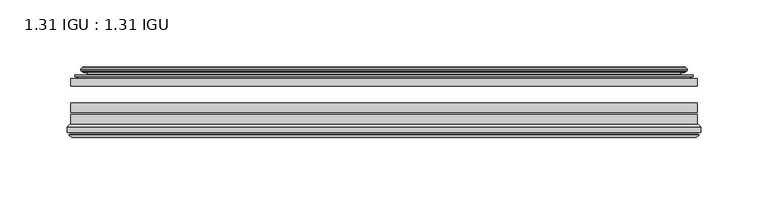
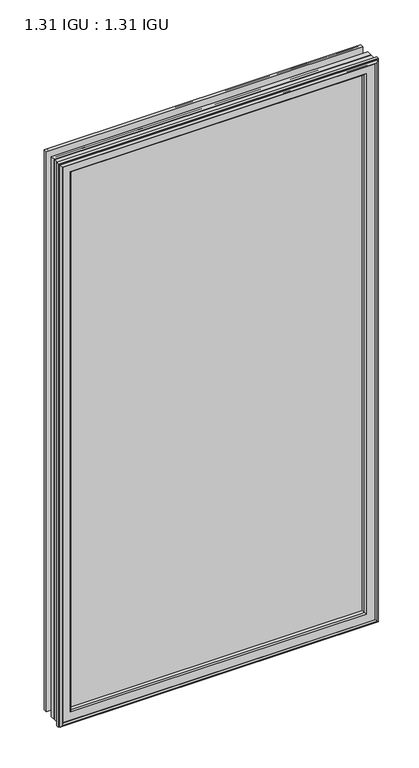
"""IFC4 building model written with IfcOpenShell, lengths in millimetres: plate geometry, 1.31 IGU : 1.31 IGU."""

from ifc_helpers import new_model, si_unit, frame, origin, place, context, project, spatial, polyline, ellipse_curve, outline, extrude, source, transform, mapped, element, save
from ifc_brep_helpers import plane_surface, cylinder_surface, revolved_surface, advanced_brep


def plate_1_31_igu_1_31_igu_b2ea82c1(model_context):
    return source(origin(), model_context, "Body", "SolidModel", [
        extrude(outline(polyline([(233.3578362, -44.8960875), (233.3578362, -50.4332875), (-233.3627713, -50.4332875), (-233.3627713, -44.8960875), (233.3578362, -44.8960875)])), frame((0.0, 0.0, -14.2875), z_axis=(0.0, 0.0, 1.0), x_axis=(1.0, 0.0, 0.0)), (0.0, 0.0, 1.0), 873.1260851),
        extrude(outline(polyline([(-233.3627713, -78.7796875), (-233.3627713, -71.7692875), (233.3578362, -71.7692875), (233.3578362, -78.7796875), (-233.3627713, -78.7796875)])), frame((0.0, 0.0, -14.2875), z_axis=(0.0, 0.0, 1.0), x_axis=(1.0, 0.0, 0.0)), (0.0, 0.0, 1.0), 873.1260851),
        extrude(outline(polyline([(-233.3627713, -70.2452875), (-233.3627713, -63.1332875), (233.3578362, -63.1332875), (233.3578362, -70.2452875), (-233.3627713, -70.2452875)])), frame((0.0, 0.0, -14.2875), z_axis=(0.0, 0.0, 1.0), x_axis=(1.0, 0.0, 0.0)), (0.0, 0.0, 1.0), 873.1260851),
        advanced_brep(
        [(-224.0174468, -37.7373382, 849.4932606), (-219.0758138, -36.3108875, 844.5516277), (-219.0758138, -36.3108875, -0.0005426), (-224.0174468, -37.7373382, -4.9421755), (-223.8523415, -36.9605789, 849.3281553), (-223.8523415, -36.9605789, -4.7770702), (-224.4478272, -36.4771203, 849.923641), (-224.4478272, -36.4771203, -5.3725559), (-225.712463, -37.766076, 851.1882768), (-225.712463, -37.766076, -6.6371917), (-225.7016462, -38.8797852, 851.17746), (-225.7016462, -38.8797852, -6.6263749), (-224.420161, -40.1361433, 849.8959748), (-224.420161, -40.1361433, -5.3448897), (-223.8151542, -39.649943, 849.290968), (-223.8151542, -39.649943, -4.7398829), (-224.3691684, -39.0959287, 849.8449823), (-224.3691684, -39.0959287, -5.2938972), (-222.08336, -38.7029881, 847.5591739), (-222.08336, -38.7029881, -3.0080887), (-220.6242869, -40.2107282, 846.1001008), (-220.6242869, -40.2107282, -1.5490157), (-220.9208689, -41.651269, 846.3966827), (-220.9208689, -41.651269, -1.8455976), (-221.6920933, -42.2798875, 847.1679072), (-221.6920933, -42.2798875, -2.6168221), (-229.9960697, -43.4871542, 855.4718835), (-229.7208682, -42.2798875, 855.1966821), (-229.7208682, -42.2798875, -10.6455969), (-229.9960697, -43.4871542, -10.9207984), (-226.538501, -44.8960875, 852.0143149), (-226.538501, -44.8960875, -7.4632297), (-215.4408772, -44.023302, 840.9166911), (-215.7962152, -44.8960875, 841.272029), (-215.7962152, -44.8960875, 3.2790561), (-215.4408772, -44.023302, 3.6343941), (-216.1120752, -43.3681812, 841.5878891), (-216.1120752, -43.3681812, 2.963196), (-217.7528658, -40.6686056, 843.2286797), (-217.7528658, -40.6686056, 1.3224054), (219.0758138, -36.3108875, -0.0005426), (224.0174468, -37.7373382, -4.9421755), (223.8523415, -36.9605789, -4.7770702), (224.4478272, -36.4771203, -5.3725559), (225.712463, -37.766076, -6.6371917), (225.7016462, -38.8797852, -6.6263749), (224.420161, -40.1361433, -5.3448897), (223.8151542, -39.649943, -4.7398829), (224.3691684, -39.0959287, -5.2938972), (222.08336, -38.7029881, -3.0080887), (220.6242869, -40.2107282, -1.5490157), (220.9208689, -41.651269, -1.8455976), (221.6920933, -42.2798875, -2.6168221), (229.7208682, -42.2798875, -10.6455969), (229.9960697, -43.4871542, -10.9207984), (226.538501, -44.8960875, -7.4632297), (215.7962152, -44.8960875, 3.2790561), (215.4408772, -44.023302, 3.6343941), (216.1120752, -43.3681812, 2.963196), (217.7528658, -40.6686056, 1.3224054), (219.0758138, -36.3108875, 844.5516277), (224.0174468, -37.7373382, 849.4932606), (223.8523415, -36.9605789, 849.3281553), (224.4478272, -36.4771203, 849.923641), (225.712463, -37.766076, 851.1882768), (225.7016462, -38.8797852, 851.17746), (224.420161, -40.1361433, 849.8959748), (223.8151542, -39.649943, 849.290968), (224.3691684, -39.0959287, 849.8449823), (222.08336, -38.7029881, 847.5591739), (220.6242869, -40.2107282, 846.1001008), (220.9208689, -41.651269, 846.3966827), (221.6920933, -42.2798875, 847.1679072), (229.7208682, -42.2798875, 855.1966821), (229.9960697, -43.4871542, 855.4718835), (226.538501, -44.8960875, 852.0143149), (215.7962152, -44.8960875, 841.272029), (215.4408772, -44.023302, 840.9166911), (216.1120752, -43.3681812, 841.5878891), (217.7528658, -40.6686056, 843.2286797)],
        [
            (0, 1),
            (1, 2),
            (2, 3),
            (3, 0),
            (4, 0),
            (3, 5),
            (5, 4),
            (6, 4, ellipse_curve(frame((-224.1728584, -36.746901, 849.6486723), z_axis=(-0.7071067811865475, 0.0, -0.7071067811865475), x_axis=(-0.7071067811865474, 0.0, 0.7071067811865476)), 0.5447741, 0.3852135)),
            (5, 7, ellipse_curve(frame((-224.1728584, -36.746901, -5.0975871), z_axis=(-0.7071067811865475, 0.0, 0.7071067811865475), x_axis=(0.7071067811865474, 0.0, 0.7071067811865476)), 0.5447741, 0.3852135)),
            (7, 6),
            (8, 6),
            (7, 9),
            (9, 8),
            (10, 8, ellipse_curve(frame((-225.1504099, -38.3175243, 850.6262238), z_axis=(-0.7071067811865475, 0.0, -0.7071067811865475), x_axis=(-0.7071067811865474, 0.0, 0.7071067811865476)), 1.1135518, 0.7874)),
            (9, 11, ellipse_curve(frame((-225.1504099, -38.3175243, -6.0751387), z_axis=(-0.7071067811865475, 0.0, 0.7071067811865475), x_axis=(0.7071067811865474, 0.0, 0.7071067811865476)), 1.1135518, 0.7874)),
            (11, 10),
            (12, 10),
            (11, 13),
            (13, 12),
            (14, 12, ellipse_curve(frame((-224.1465635, -39.8570738, 849.6223773), z_axis=(-0.7071067811865475, 0.0, -0.7071067811865475), x_axis=(-0.7071067811865474, 0.0, 0.7071067811865476)), 0.552694, 0.3908137)),
            (13, 15, ellipse_curve(frame((-224.1465635, -39.8570738, -5.0712922), z_axis=(-0.7071067811865475, 0.0, 0.7071067811865475), x_axis=(0.7071067811865474, 0.0, 0.7071067811865476)), 0.552694, 0.3908137)),
            (15, 14),
            (16, 14),
            (15, 17),
            (17, 16),
            (18, 16),
            (17, 19),
            (19, 18),
            (20, 18, ellipse_curve(frame((-221.8681974, -39.954629, 847.3440112), z_axis=(0.7071067811865475, 0.0, 0.7071067811865475), x_axis=(0.7071067811865474, 0.0, -0.7071067811865476)), 1.7960512, 1.27)),
            (19, 21, ellipse_curve(frame((-221.8681974, -39.954629, -2.7929261), z_axis=(0.7071067811865475, 0.0, -0.7071067811865475), x_axis=(-0.7071067811865474, 0.0, -0.7071067811865476)), 1.7960512, 1.27)),
            (21, 20),
            (22, 20),
            (21, 23),
            (23, 22),
            (24, 22, ellipse_curve(frame((-221.6920933, -41.4924875, 847.1679072), z_axis=(0.7071067811865475, 0.0, 0.7071067811865475), x_axis=(0.7071067811865474, 0.0, -0.7071067811865476)), 1.1135518, 0.7874)),
            (23, 25, ellipse_curve(frame((-221.6920933, -41.4924875, -2.6168221), z_axis=(0.7071067811865475, 0.0, -0.7071067811865475), x_axis=(-0.7071067811865474, 0.0, -0.7071067811865476)), 1.1135518, 0.7874)),
            (25, 24),
            (26, 27, ellipse_curve(frame((-229.7208682, -42.9148875, 855.1966821), z_axis=(-0.7071067811865475, 0.0, -0.7071067811865475), x_axis=(-0.7071067811865474, 0.0, 0.7071067811865476)), 0.8980256, 0.635)),
            (27, 28),
            (28, 29, ellipse_curve(frame((-229.7208682, -42.9148875, -10.6455969), z_axis=(-0.7071067811865475, 0.0, 0.7071067811865475), x_axis=(0.7071067811865474, 0.0, 0.7071067811865476)), 0.8980256, 0.635)),
            (29, 26),
            (30, 26),
            (29, 31),
            (31, 30),
            (32, 33, ellipse_curve(frame((-215.7962152, -44.3873602, 841.272029), z_axis=(-0.7071067811865475, 0.0, -0.7071067811865475), x_axis=(-0.7071067811865474, 0.0, 0.7071067811865476)), 0.719449, 0.5087273)),
            (33, 34),
            (34, 35, ellipse_curve(frame((-215.7962152, -44.3873602, 3.2790561), z_axis=(-0.7071067811865475, 0.0, 0.7071067811865475), x_axis=(0.7071067811865474, 0.0, 0.7071067811865476)), 0.719449, 0.5087273)),
            (35, 32),
            (36, 32),
            (35, 37),
            (37, 36),
            (38, 36, ellipse_curve(frame((-211.676701, -38.823959, 837.1525149), z_axis=(0.7071067811865475, 0.0, 0.7071067811865475), x_axis=(0.7071067811865474, 0.0, -0.7071067811865476)), 8.9802561, 6.35)),
            (37, 39, ellipse_curve(frame((-211.676701, -38.823959, 7.3985702), z_axis=(0.7071067811865475, 0.0, -0.7071067811865475), x_axis=(-0.7071067811865474, 0.0, -0.7071067811865476)), 8.9802561, 6.35)),
            (39, 38),
            (1, 38),
            (39, 2),
            (2, 40),
            (40, 41),
            (41, 3),
            (41, 42),
            (42, 5),
            (42, 43, ellipse_curve(frame((224.1728584, -36.746901, -5.0975871), z_axis=(-0.7071067811865475, 0.0, -0.7071067811865475), x_axis=(-0.7071067811865476, 0.0, 0.7071067811865474)), 0.5447741, 0.3852135)),
            (43, 7),
            (43, 44),
            (44, 9),
            (44, 45, ellipse_curve(frame((225.1504099, -38.3175243, -6.0751387), z_axis=(-0.7071067811865475, 0.0, -0.7071067811865475), x_axis=(-0.7071067811865476, 0.0, 0.7071067811865474)), 1.1135518, 0.7874)),
            (45, 11),
            (45, 46),
            (46, 13),
            (46, 47, ellipse_curve(frame((224.1465635, -39.8570738, -5.0712922), z_axis=(-0.7071067811865475, 0.0, -0.7071067811865475), x_axis=(-0.7071067811865476, 0.0, 0.7071067811865474)), 0.552694, 0.3908137)),
            (47, 15),
            (47, 48),
            (48, 17),
            (48, 49),
            (49, 19),
            (49, 50, ellipse_curve(frame((221.8681974, -39.954629, -2.7929261), z_axis=(0.7071067811865475, 0.0, 0.7071067811865475), x_axis=(0.7071067811865476, 0.0, -0.7071067811865474)), 1.7960512, 1.27)),
            (50, 21),
            (50, 51),
            (51, 23),
            (51, 52, ellipse_curve(frame((221.6920933, -41.4924875, -2.6168221), z_axis=(0.7071067811865475, 0.0, 0.7071067811865475), x_axis=(0.7071067811865476, 0.0, -0.7071067811865474)), 1.1135518, 0.7874)),
            (52, 25),
            (28, 53),
            (53, 54, ellipse_curve(frame((229.7208682, -42.9148875, -10.6455969), z_axis=(-0.7071067811865475, 0.0, -0.7071067811865475), x_axis=(-0.7071067811865476, 0.0, 0.7071067811865474)), 0.8980256, 0.635)),
            (54, 29),
            (54, 55),
            (55, 31),
            (34, 56),
            (56, 57, ellipse_curve(frame((215.7962152, -44.3873602, 3.2790561), z_axis=(-0.7071067811865475, 0.0, -0.7071067811865475), x_axis=(-0.7071067811865476, 0.0, 0.7071067811865474)), 0.719449, 0.5087273)),
            (57, 35),
            (57, 58),
            (58, 37),
            (58, 59, ellipse_curve(frame((211.676701, -38.823959, 7.3985702), z_axis=(0.7071067811865475, 0.0, 0.7071067811865475), x_axis=(0.7071067811865476, 0.0, -0.7071067811865474)), 8.9802561, 6.35)),
            (59, 39),
            (59, 40),
            (40, 60),
            (60, 61),
            (61, 41),
            (61, 62),
            (62, 42),
            (62, 63, ellipse_curve(frame((224.1728584, -36.746901, 849.6486723), z_axis=(0.7071067811865475, 0.0, -0.7071067811865475), x_axis=(-0.7071067811865474, 0.0, -0.7071067811865476)), 0.5447741, 0.3852135)),
            (63, 43),
            (63, 64),
            (64, 44),
            (64, 65, ellipse_curve(frame((225.1504099, -38.3175243, 850.6262238), z_axis=(0.7071067811865475, 0.0, -0.7071067811865475), x_axis=(-0.7071067811865474, 0.0, -0.7071067811865476)), 1.1135518, 0.7874)),
            (65, 45),
            (65, 66),
            (66, 46),
            (66, 67, ellipse_curve(frame((224.1465635, -39.8570738, 849.6223773), z_axis=(0.7071067811865475, 0.0, -0.7071067811865475), x_axis=(-0.7071067811865474, 0.0, -0.7071067811865476)), 0.552694, 0.3908137)),
            (67, 47),
            (67, 68),
            (68, 48),
            (68, 69),
            (69, 49),
            (69, 70, ellipse_curve(frame((221.8681974, -39.954629, 847.3440112), z_axis=(-0.7071067811865475, 0.0, 0.7071067811865475), x_axis=(0.7071067811865474, 0.0, 0.7071067811865476)), 1.7960512, 1.27)),
            (70, 50),
            (70, 71),
            (71, 51),
            (71, 72, ellipse_curve(frame((221.6920933, -41.4924875, 847.1679072), z_axis=(-0.7071067811865475, 0.0, 0.7071067811865475), x_axis=(0.7071067811865474, 0.0, 0.7071067811865476)), 1.1135518, 0.7874)),
            (72, 52),
            (53, 73),
            (73, 74, ellipse_curve(frame((229.7208682, -42.9148875, 855.1966821), z_axis=(0.7071067811865475, 0.0, -0.7071067811865475), x_axis=(-0.7071067811865474, 0.0, -0.7071067811865476)), 0.8980256, 0.635)),
            (74, 54),
            (74, 75),
            (75, 55),
            (56, 76),
            (76, 77, ellipse_curve(frame((215.7962152, -44.3873602, 841.272029), z_axis=(0.7071067811865475, 0.0, -0.7071067811865475), x_axis=(-0.7071067811865474, 0.0, -0.7071067811865476)), 0.719449, 0.5087273)),
            (77, 57),
            (77, 78),
            (78, 58),
            (78, 79, ellipse_curve(frame((211.676701, -38.823959, 837.1525149), z_axis=(-0.7071067811865475, 0.0, 0.7071067811865475), x_axis=(0.7071067811865474, 0.0, 0.7071067811865476)), 8.9802561, 6.35)),
            (79, 59),
            (79, 60),
            (60, 1),
            (0, 61),
            (4, 62),
            (6, 63),
            (8, 64),
            (10, 65),
            (12, 66),
            (14, 67),
            (16, 68),
            (18, 69),
            (20, 70),
            (22, 71),
            (24, 72),
            (27, 73),
            (26, 74),
            (30, 75),
            (33, 76),
            (32, 77),
            (36, 78),
            (38, 79),
        ],
        [
            plane_surface(frame((-219.0758138, -36.3108875, 844.5516277), z_axis=(-0.2773364928492854, 0.9607728502273877, 0.0), x_axis=(0.0, 0.0, -1.0))),
            plane_surface(frame((-224.0174468, -37.7373382, 849.4932606), z_axis=(0.9781476007338358, -0.2079116908176177, 0.0), x_axis=(0.0, 0.0, -1.0))),
            cylinder_surface(frame((-224.1728584, -36.746901, 876.3010851), z_axis=(0.0, 0.0, 1.0), x_axis=(-1.0, 0.0, 0.0)), 0.3852135),
            plane_surface(frame((-224.4478272, -36.4771203, 849.923641), z_axis=(-0.7138087599382162, 0.7003406701280928, 0.0), x_axis=(0.0, 0.0, -1.0))),
            cylinder_surface(frame((-225.1504099, -38.3175243, 876.3010851), z_axis=(0.0, 0.0, 1.0), x_axis=(-1.0, 0.0, 0.0)), 0.7874),
            plane_surface(frame((-225.7016462, -38.8797852, 851.17746), z_axis=(-0.7000714109283732, -0.7140728391423082, 0.0), x_axis=(0.0, 0.0, -1.0))),
            cylinder_surface(frame((-224.1465635, -39.8570738, 876.3010851), z_axis=(0.0, 0.0, 1.0), x_axis=(-1.0, 0.0, 0.0)), 0.3908137),
            plane_surface(frame((-223.8151542, -39.649943, 849.290968), z_axis=(0.7071067811861126, 0.7071067811869826, 0.0), x_axis=(0.0, 0.0, -1.0))),
            plane_surface(frame((-224.3691684, -39.0959287, 849.8449823), z_axis=(0.16941940671011482, -0.9855440449974789, 0.0), x_axis=(0.0, 0.0, -1.0))),
            revolved_surface(polyline([(-223.13819740000002, -39.954629, -4.0629260828783345), (-223.13819740000002, -39.954629, 848.6140111828782)]), (-221.8681974, -39.954629, 876.3010851), (0.0, 0.0, -1.0)),
            plane_surface(frame((-220.6242869, -40.2107282, 846.1001008), z_axis=(-0.9794570432566897, 0.201652920670302, 0.0), x_axis=(0.0, 0.0, -1.0))),
            revolved_surface(polyline([(-222.4794933, -41.4924875, -3.4042221289824965), (-222.4794933, -41.4924875, 847.9553072289824)]), (-221.6920933, -41.4924875, 876.3010851), (0.0, 0.0, -1.0)),
            cylinder_surface(frame((-229.7208682, -42.9148875, 876.3010851), z_axis=(0.0, 0.0, 1.0), x_axis=(-1.0, 0.0, 0.0)), 0.635),
            plane_surface(frame((-229.9960697, -43.4871542, 855.4718835), z_axis=(-0.37736447542757934, -0.9260648209954139, 0.0), x_axis=(0.0, 0.0, -1.0))),
            cylinder_surface(frame((-215.7962152, -44.3873602, 876.3010851), z_axis=(0.0, 0.0, 1.0), x_axis=(-1.0, 0.0, 0.0)), 0.5087273),
            plane_surface(frame((-215.4408772, -44.023302, 840.9166911), z_axis=(0.698484125849927, 0.7156255486884628, 0.0), x_axis=(0.0, 0.0, -1.0))),
            revolved_surface(polyline([(-218.026701, -38.823959, 1.0485702148981773), (-218.026701, -38.823959, 843.5025148851018)]), (-211.676701, -38.823959, 876.3010851), (0.0, 0.0, -1.0)),
            plane_surface(frame((-217.7528658, -40.6686056, 843.2286797), z_axis=(0.9568763473517009, 0.2904955350411895, 0.0), x_axis=(0.0, 0.0, -1.0))),
            plane_surface(frame((-219.0758138, -36.3108875, -0.0005426), z_axis=(0.0, 0.9607728502273868, -0.2773364928492885), x_axis=(1.0, 0.0, 0.0))),
            plane_surface(frame((-224.0174468, -37.7373382, -4.9421755), z_axis=(0.0, -0.20791169081761454, 0.9781476007338364), x_axis=(1.0, 0.0, 0.0))),
            cylinder_surface(frame((-250.8252713, -36.746901, -5.0975871), z_axis=(-1.0, 0.0, 0.0), x_axis=(0.0, 0.0, -1.0)), 0.3852135),
            plane_surface(frame((-224.4478272, -36.4771203, -5.3725559), z_axis=(0.0, 0.7003406701280904, -0.7138087599382185), x_axis=(1.0, 0.0, 0.0))),
            cylinder_surface(frame((-250.8252713, -38.3175243, -6.0751387), z_axis=(-1.0, 0.0, 0.0), x_axis=(0.0, 0.0, -1.0)), 0.7874),
            plane_surface(frame((-225.7016462, -38.8797852, -6.6263749), z_axis=(0.0, -0.7140728391423105, -0.7000714109283709), x_axis=(1.0, 0.0, 0.0))),
            cylinder_surface(frame((-250.8252713, -39.8570738, -5.0712922), z_axis=(-1.0, 0.0, 0.0), x_axis=(0.0, 0.0, -1.0)), 0.3908137),
            plane_surface(frame((-223.8151542, -39.649943, -4.7398829), z_axis=(0.0, 0.7071067811869849, 0.7071067811861103), x_axis=(1.0, 0.0, 0.0))),
            plane_surface(frame((-224.3691684, -39.0959287, -5.2938972), z_axis=(0.0, -0.9855440449974784, 0.16941940671011801), x_axis=(1.0, 0.0, 0.0))),
            revolved_surface(polyline([(223.13819738287827, -39.954629, -4.0629261), (-223.13819738287825, -39.954629, -4.0629261)]), (-250.8252713, -39.954629, -2.7929261), (1.0, 0.0, 0.0)),
            plane_surface(frame((-220.6242869, -40.2107282, -1.5490157), z_axis=(0.0, 0.20165292067029883, -0.9794570432566904), x_axis=(1.0, 0.0, 0.0))),
            revolved_surface(polyline([(222.47949332898247, -41.4924875, -3.4042220999999997), (-222.4794933289825, -41.4924875, -3.4042220999999997)]), (-250.8252713, -41.4924875, -2.6168221), (1.0, 0.0, 0.0)),
            cylinder_surface(frame((-250.8252713, -42.9148875, -10.6455969), z_axis=(-1.0, 0.0, 0.0), x_axis=(0.0, 0.0, -1.0)), 0.635),
            plane_surface(frame((-229.9960697, -43.4871542, -10.9207984), z_axis=(0.0, -0.9260648209954151, -0.37736447542757634), x_axis=(1.0, 0.0, 0.0))),
            cylinder_surface(frame((-250.8252713, -44.3873602, 3.2790561), z_axis=(-1.0, 0.0, 0.0), x_axis=(0.0, 0.0, -1.0)), 0.5087273),
            plane_surface(frame((-215.4408772, -44.023302, 3.6343941), z_axis=(0.0, 0.7156255486884651, 0.6984841258499247), x_axis=(1.0, 0.0, 0.0))),
            revolved_surface(polyline([(218.0267009851019, -38.823959, 1.0485702000000003), (-218.02670098510185, -38.823959, 1.0485702000000003)]), (-250.8252713, -38.823959, 7.3985702), (1.0, 0.0, 0.0)),
            plane_surface(frame((-217.7528658, -40.6686056, 1.3224054), z_axis=(0.0, 0.29049553504119263, 0.9568763473517), x_axis=(1.0, 0.0, 0.0))),
            plane_surface(frame((219.0758138, -36.3108875, -0.0005426), z_axis=(0.2773364928492916, 0.9607728502273859, 0.0), x_axis=(0.0, 0.0, 1.0))),
            plane_surface(frame((224.0174468, -37.7373382, -4.9421755), z_axis=(-0.9781476007338371, -0.20791169081761138, 0.0), x_axis=(0.0, 0.0, 1.0))),
            cylinder_surface(frame((224.1728584, -36.746901, -31.75), z_axis=(0.0, 0.0, -1.0), x_axis=(1.0, 0.0, 0.0)), 0.3852135),
            plane_surface(frame((224.4478272, -36.4771203, -5.3725559), z_axis=(0.7138087599382208, 0.7003406701280882, 0.0), x_axis=(0.0, 0.0, 1.0))),
            cylinder_surface(frame((225.1504099, -38.3175243, -31.75), z_axis=(0.0, 0.0, -1.0), x_axis=(1.0, 0.0, 0.0)), 0.7874),
            plane_surface(frame((225.7016462, -38.8797852, -6.6263749), z_axis=(0.7000714109283687, -0.7140728391423128, 0.0), x_axis=(0.0, 0.0, 1.0))),
            cylinder_surface(frame((224.1465635, -39.8570738, -31.75), z_axis=(0.0, 0.0, -1.0), x_axis=(1.0, 0.0, 0.0)), 0.3908137),
            plane_surface(frame((223.8151542, -39.649943, -4.7398829), z_axis=(-0.7071067811861079, 0.7071067811869872, 0.0), x_axis=(0.0, 0.0, 1.0))),
            plane_surface(frame((224.3691684, -39.0959287, -5.2938972), z_axis=(-0.1694194067101212, -0.9855440449974778, 0.0), x_axis=(0.0, 0.0, 1.0))),
            revolved_surface(polyline([(223.13819740000002, -39.954629, 848.6140111828782), (223.13819740000002, -39.954629, -4.062926082878235)]), (221.8681974, -39.954629, -31.75), (0.0, 0.0, 1.0)),
            plane_surface(frame((220.6242869, -40.2107282, -1.5490157), z_axis=(0.979457043256691, 0.20165292067029567, 0.0), x_axis=(0.0, 0.0, 1.0))),
            revolved_surface(polyline([(222.4794933, -41.4924875, 847.9553072289824), (222.4794933, -41.4924875, -3.404222128982486)]), (221.6920933, -41.4924875, -31.75), (0.0, 0.0, 1.0)),
            cylinder_surface(frame((229.7208682, -42.9148875, -31.75), z_axis=(0.0, 0.0, -1.0), x_axis=(1.0, 0.0, 0.0)), 0.635),
            plane_surface(frame((229.9960697, -43.4871542, -10.9207984), z_axis=(0.37736447542757334, -0.9260648209954163, 0.0), x_axis=(0.0, 0.0, 1.0))),
            cylinder_surface(frame((215.7962152, -44.3873602, -31.75), z_axis=(0.0, 0.0, -1.0), x_axis=(1.0, 0.0, 0.0)), 0.5087273),
            plane_surface(frame((215.4408772, -44.023302, 3.6343941), z_axis=(-0.6984841258499224, 0.7156255486884673, 0.0), x_axis=(0.0, 0.0, 1.0))),
            revolved_surface(polyline([(218.026701, -38.823959, 843.5025148851018), (218.026701, -38.823959, 1.0485702148981417)]), (211.676701, -38.823959, -31.75), (0.0, 0.0, 1.0)),
            plane_surface(frame((217.7528658, -40.6686056, 1.3224054), z_axis=(-0.9568763473516991, 0.29049553504119574, 0.0), x_axis=(0.0, 0.0, 1.0))),
            plane_surface(frame((219.0758138, -36.3108875, 844.5516277), z_axis=(0.0, 0.9607728502273868, 0.2773364928492885), x_axis=(-1.0, 0.0, 0.0))),
            plane_surface(frame((224.0174468, -37.7373382, 849.4932606), z_axis=(0.0, -0.20791169081761454, -0.9781476007338364), x_axis=(-1.0, 0.0, 0.0))),
            cylinder_surface(frame((250.8252713, -36.746901, 849.6486723), z_axis=(1.0, 0.0, 0.0), x_axis=(0.0, 0.0, 1.0)), 0.3852135),
            plane_surface(frame((224.4478272, -36.4771203, 849.923641), z_axis=(0.0, 0.7003406701280904, 0.7138087599382185), x_axis=(-1.0, 0.0, 0.0))),
            cylinder_surface(frame((250.8252713, -38.3175243, 850.6262238), z_axis=(1.0, 0.0, 0.0), x_axis=(0.0, 0.0, 1.0)), 0.7874),
            plane_surface(frame((225.7016462, -38.8797852, 851.17746), z_axis=(0.0, -0.7140728391423106, 0.700071410928371), x_axis=(-1.0, 0.0, 0.0))),
            cylinder_surface(frame((250.8252713, -39.8570738, 849.6223773), z_axis=(1.0, 0.0, 0.0), x_axis=(0.0, 0.0, 1.0)), 0.3908137),
            plane_surface(frame((223.8151542, -39.649943, 849.290968), z_axis=(0.0, 0.7071067811869849, -0.7071067811861103), x_axis=(-1.0, 0.0, 0.0))),
            plane_surface(frame((224.3691684, -39.0959287, 849.8449823), z_axis=(0.0, -0.9855440449974784, -0.16941940671011801), x_axis=(-1.0, 0.0, 0.0))),
            revolved_surface(polyline([(-223.13819738287827, -39.954629, 848.6140111999999), (223.13819738287825, -39.954629, 848.6140111999999)]), (250.8252713, -39.954629, 847.3440112), (-1.0, 0.0, 0.0)),
            plane_surface(frame((220.6242869, -40.2107282, 846.1001008), z_axis=(0.0, 0.20165292067029883, 0.9794570432566904), x_axis=(-1.0, 0.0, 0.0))),
            revolved_surface(polyline([(-222.47949332898247, -41.4924875, 847.9553072), (222.4794933289825, -41.4924875, 847.9553072)]), (250.8252713, -41.4924875, 847.1679072), (-1.0, 0.0, 0.0)),
            plane_surface(frame((221.6920933, -42.2798875, 847.1679072), z_axis=(0.0, 1.0, 0.0), x_axis=(-1.0, 0.0, 0.0))),
            cylinder_surface(frame((250.8252713, -42.9148875, 855.1966821), z_axis=(1.0, 0.0, 0.0), x_axis=(0.0, 0.0, 1.0)), 0.635),
            plane_surface(frame((229.9960697, -43.4871542, 855.4718835), z_axis=(0.0, -0.9260648209954151, 0.37736447542757634), x_axis=(-1.0, 0.0, 0.0))),
            plane_surface(frame((226.538501, -44.8960875, 852.0143149), z_axis=(0.0, -1.0, 0.0), x_axis=(-1.0, 0.0, 0.0))),
            cylinder_surface(frame((250.8252713, -44.3873602, 841.272029), z_axis=(1.0, 0.0, 0.0), x_axis=(0.0, 0.0, 1.0)), 0.5087273),
            plane_surface(frame((215.4408772, -44.023302, 840.9166911), z_axis=(0.0, 0.7156255486884651, -0.6984841258499247), x_axis=(-1.0, 0.0, 0.0))),
            revolved_surface(polyline([(-218.0267009851019, -38.823959, 843.5025149), (218.02670098510185, -38.823959, 843.5025149)]), (250.8252713, -38.823959, 837.1525149), (-1.0, 0.0, 0.0)),
            plane_surface(frame((217.7528658, -40.6686056, 843.2286797), z_axis=(0.0, 0.29049553504119263, -0.9568763473517), x_axis=(-1.0, 0.0, 0.0))),
        ],
        [
            (0, [[1, 2, 3, 4]]),
            (1, [[5, -4, 6, 7]]),
            (2, [[8, -7, 9, 10]]),
            (3, [[11, -10, 12, 13]]),
            (4, [[14, -13, 15, 16]]),
            (5, [[17, -16, 18, 19]]),
            (6, [[20, -19, 21, 22]]),
            (7, [[23, -22, 24, 25]]),
            (8, [[26, -25, 27, 28]]),
            (9, [[29, -28, 30, 31]]),
            (10, [[32, -31, 33, 34]]),
            (11, [[35, -34, 36, 37]]),
            (12, [[38, 39, 40, 41]]),
            (13, [[42, -41, 43, 44]]),
            (14, [[45, 46, 47, 48]]),
            (15, [[49, -48, 50, 51]]),
            (16, [[52, -51, 53, 54]]),
            (17, [[55, -54, 56, -2]]),
            (18, [[-3, 57, 58, 59]]),
            (19, [[-6, -59, 60, 61]]),
            (20, [[-9, -61, 62, 63]]),
            (21, [[-12, -63, 64, 65]]),
            (22, [[-15, -65, 66, 67]]),
            (23, [[-18, -67, 68, 69]]),
            (24, [[-21, -69, 70, 71]]),
            (25, [[-24, -71, 72, 73]]),
            (26, [[-27, -73, 74, 75]]),
            (27, [[-30, -75, 76, 77]]),
            (28, [[-33, -77, 78, 79]]),
            (29, [[-36, -79, 80, 81]]),
            (30, [[-40, 82, 83, 84]]),
            (31, [[-43, -84, 85, 86]]),
            (32, [[-47, 87, 88, 89]]),
            (33, [[-50, -89, 90, 91]]),
            (34, [[-53, -91, 92, 93]]),
            (35, [[-56, -93, 94, -57]]),
            (36, [[-58, 95, 96, 97]]),
            (37, [[-60, -97, 98, 99]]),
            (38, [[-62, -99, 100, 101]]),
            (39, [[-64, -101, 102, 103]]),
            (40, [[-66, -103, 104, 105]]),
            (41, [[-68, -105, 106, 107]]),
            (42, [[-70, -107, 108, 109]]),
            (43, [[-72, -109, 110, 111]]),
            (44, [[-74, -111, 112, 113]]),
            (45, [[-76, -113, 114, 115]]),
            (46, [[-78, -115, 116, 117]]),
            (47, [[-80, -117, 118, 119]]),
            (48, [[-83, 120, 121, 122]]),
            (49, [[-85, -122, 123, 124]]),
            (50, [[-88, 125, 126, 127]]),
            (51, [[-90, -127, 128, 129]]),
            (52, [[-92, -129, 130, 131]]),
            (53, [[-94, -131, 132, -95]]),
            (54, [[-96, 133, -1, 134]]),
            (55, [[-98, -134, -5, 135]]),
            (56, [[-100, -135, -8, 136]]),
            (57, [[-102, -136, -11, 137]]),
            (58, [[-104, -137, -14, 138]]),
            (59, [[-106, -138, -17, 139]]),
            (60, [[-108, -139, -20, 140]]),
            (61, [[-110, -140, -23, 141]]),
            (62, [[-112, -141, -26, 142]]),
            (63, [[-114, -142, -29, 143]]),
            (64, [[-116, -143, -32, 144]]),
            (65, [[-118, -144, -35, 145]]),
            (66, [[146, -120, -82, -39], [-81, -119, -145, -37]]),
            (67, [[-121, -146, -38, 147]]),
            (68, [[-123, -147, -42, 148]]),
            (69, [[-86, -124, -148, -44], [149, -125, -87, -46]]),
            (70, [[-126, -149, -45, 150]]),
            (71, [[-128, -150, -49, 151]]),
            (72, [[-130, -151, -52, 152]]),
            (73, [[-132, -152, -55, -133]]),
        ],
    ),
        advanced_brep(
        [(-216.3877207, -83.3389875, 841.8635345), (-218.1627868, -85.1296875, 843.6386006), (-218.1627868, -85.1296875, 0.9124845), (-216.3877207, -83.3389875, 2.6875506), (-215.3645114, -78.7796875, 840.8403253), (-215.3645114, -78.7796875, 3.7107599), (-235.9452204, -80.9740477, 861.4210342), (-233.7508601, -78.7796875, 859.226674), (-233.7508601, -78.7796875, -14.6755889), (-235.9452204, -80.9740477, -16.8699491), (-235.9452204, -85.1296875, 861.4210342), (-235.9452204, -85.1296875, -16.8699491), (-233.4201602, -86.3747112, 858.895974), (-234.1713872, -85.1296875, 859.647201), (-234.1713872, -85.1296875, -15.0961159), (-233.4201602, -86.3747112, -14.3448889), (-233.1106311, -87.6502863, 858.5864449), (-233.1106311, -87.6502863, -14.0353598), (-234.1287445, -87.2076396, 859.6045583), (-234.1287445, -87.2076396, -15.0534732), (-232.4417551, -88.8840626, 857.917569), (-234.9234545, -87.2076396, 860.3992684), (-234.9234545, -87.2076396, -15.8481832), (-232.4417551, -88.8840626, -13.3664838), (-230.2899297, -86.9401656, 855.7657436), (-230.2899297, -86.9401656, -11.2146584), (-231.9972839, -87.5528811, 857.4730977), (-231.0715027, -86.9401656, 856.5473166), (-231.0715027, -86.9401656, -11.9962314), (-231.9972839, -87.5528811, -12.9220126), (-231.9139585, -86.2429356, 857.3897724), (-231.9139585, -86.2429356, -12.8386873), (-231.3157205, -85.1296875, 856.7915344), (-231.3157205, -85.1296875, -12.2404492), (218.1627868, -85.1296875, 0.9124845), (216.3877207, -83.3389875, 2.6875506), (215.3645114, -78.7796875, 3.7107599), (233.7508601, -78.7796875, -14.6755889), (235.9452204, -80.9740477, -16.8699491), (235.9452204, -85.1296875, -16.8699491), (234.1713872, -85.1296875, -15.0961159), (233.4201602, -86.3747112, -14.3448889), (233.1106311, -87.6502863, -14.0353598), (234.1287445, -87.2076396, -15.0534732), (234.9234545, -87.2076396, -15.8481832), (232.4417551, -88.8840626, -13.3664838), (230.2899297, -86.9401656, -11.2146584), (231.0715027, -86.9401656, -11.9962314), (231.9972839, -87.5528811, -12.9220126), (231.9139585, -86.2429356, -12.8386873), (231.3157205, -85.1296875, -12.2404492), (218.1627868, -85.1296875, 843.6386006), (216.3877207, -83.3389875, 841.8635345), (215.3645114, -78.7796875, 840.8403253), (233.7508601, -78.7796875, 859.226674), (235.9452204, -80.9740477, 861.4210342), (235.9452204, -85.1296875, 861.4210342), (234.1713872, -85.1296875, 859.647201), (233.4201602, -86.3747112, 858.895974), (233.1106311, -87.6502863, 858.5864449), (234.1287445, -87.2076396, 859.6045583), (234.9234545, -87.2076396, 860.3992684), (232.4417551, -88.8840626, 857.917569), (230.2899297, -86.9401656, 855.7657436), (231.0715027, -86.9401656, 856.5473166), (231.9972839, -87.5528811, 857.4730977), (231.9139585, -86.2429356, 857.3897724), (231.3157205, -85.1296875, 856.7915344)],
        [
            (0, 1, ellipse_curve(frame((-218.4142218, -83.1053133, 843.8900356), z_axis=(-0.7071067811865475, 0.0, -0.7071067811865475), x_axis=(-0.7071067811865474, 0.0, 0.7071067811865476)), 2.8848953, 2.039929)),
            (1, 2),
            (2, 3, ellipse_curve(frame((-218.4142218, -83.1053133, 0.6610495), z_axis=(-0.7071067811865475, 0.0, 0.7071067811865475), x_axis=(0.7071067811865474, 0.0, 0.7071067811865476)), 2.8848953, 2.039929)),
            (3, 0),
            (4, 0),
            (3, 5),
            (5, 4),
            (6, 7),
            (7, 8),
            (8, 9),
            (9, 6),
            (10, 6),
            (9, 11),
            (11, 10),
            (12, 13),
            (13, 14),
            (14, 15),
            (15, 12),
            (16, 12),
            (15, 17),
            (17, 16),
            (18, 16),
            (17, 19),
            (19, 18),
            (20, 21),
            (21, 22),
            (22, 23),
            (23, 20),
            (24, 20),
            (23, 25),
            (25, 24),
            (26, 27),
            (27, 28),
            (28, 29),
            (29, 26),
            (30, 26),
            (29, 31),
            (31, 30),
            (32, 30),
            (31, 33),
            (33, 32),
            (2, 34),
            (34, 35, ellipse_curve(frame((218.4142218, -83.1053133, 0.6610495), z_axis=(-0.7071067811865475, 0.0, -0.7071067811865475), x_axis=(-0.7071067811865476, 0.0, 0.7071067811865474)), 2.8848953, 2.039929)),
            (35, 3),
            (35, 36),
            (36, 5),
            (8, 37),
            (37, 38),
            (38, 9),
            (38, 39),
            (39, 11),
            (14, 40),
            (40, 41),
            (41, 15),
            (41, 42),
            (42, 17),
            (42, 43),
            (43, 19),
            (22, 44),
            (44, 45),
            (45, 23),
            (45, 46),
            (46, 25),
            (28, 47),
            (47, 48),
            (48, 29),
            (48, 49),
            (49, 31),
            (49, 50),
            (50, 33),
            (34, 51),
            (51, 52, ellipse_curve(frame((218.4142218, -83.1053133, 843.8900356), z_axis=(0.7071067811865475, 0.0, -0.7071067811865475), x_axis=(-0.7071067811865474, 0.0, -0.7071067811865476)), 2.8848953, 2.039929)),
            (52, 35),
            (52, 53),
            (53, 36),
            (37, 54),
            (54, 55),
            (55, 38),
            (55, 56),
            (56, 39),
            (40, 57),
            (57, 58),
            (58, 41),
            (58, 59),
            (59, 42),
            (59, 60),
            (60, 43),
            (44, 61),
            (61, 62),
            (62, 45),
            (62, 63),
            (63, 46),
            (47, 64),
            (64, 65),
            (65, 48),
            (65, 66),
            (66, 49),
            (66, 67),
            (67, 50),
            (51, 1),
            (0, 52),
            (4, 53),
            (7, 54),
            (6, 55),
            (10, 56),
            (13, 57),
            (12, 58),
            (16, 59),
            (18, 60),
            (21, 61),
            (20, 62),
            (24, 63),
            (27, 64),
            (26, 65),
            (30, 66),
            (32, 67),
        ],
        [
            cylinder_surface(frame((-218.4142218, -83.1053133, 876.3010851), z_axis=(0.0, 0.0, 1.0), x_axis=(-1.0, 0.0, 0.0)), 2.039929),
            plane_surface(frame((-216.3877207, -83.3389875, 841.8635345), z_axis=(0.9757302952562701, -0.2189757770145185, 0.0), x_axis=(0.0, 0.0, -1.0))),
            plane_surface(frame((-233.7508601, -78.7796875, 859.226674), z_axis=(-0.7071067811871722, 0.7071067811859229, 0.0), x_axis=(0.0, 0.0, -1.0))),
            plane_surface(frame((-235.9452204, -80.9740477, 861.4210342), z_axis=(-1.0, 0.0, 0.0), x_axis=(0.0, 0.0, -1.0))),
            plane_surface(frame((-234.1713872, -85.1296875, 859.647201), z_axis=(-0.8562121193263807, -0.516624434883434, 0.0), x_axis=(0.0, 0.0, -1.0))),
            plane_surface(frame((-233.4201602, -86.3747112, 858.895974), z_axis=(-0.9717979666139347, -0.23581499546259124, 0.0), x_axis=(0.0, 0.0, -1.0))),
            plane_surface(frame((-233.1106311, -87.6502863, 858.5864449), z_axis=(0.3987175451776161, 0.9170737806564615, 0.0), x_axis=(0.0, 0.0, -1.0))),
            plane_surface(frame((-234.9234545, -87.2076396, 860.3992684), z_axis=(-0.5597655002239059, -0.8286510633306884, 0.0), x_axis=(0.0, 0.0, -1.0))),
            plane_surface(frame((-232.4417551, -88.8840626, 857.917569), z_axis=(0.670345652676111, -0.7420489916024674, 0.0), x_axis=(0.0, 0.0, -1.0))),
            plane_surface(frame((-231.0715027, -86.9401656, 856.5473166), z_axis=(-0.5519083205498945, 0.8339047941508642, 0.0), x_axis=(0.0, 0.0, -1.0))),
            plane_surface(frame((-231.9972839, -87.5528811, 857.4730977), z_axis=(0.9979830161114805, -0.06348148984572213, 0.0), x_axis=(0.0, 0.0, -1.0))),
            plane_surface(frame((-231.9139585, -86.2429356, 857.3897724), z_axis=(0.8808682216207324, -0.47336157019632297, 0.0), x_axis=(0.0, 0.0, -1.0))),
            cylinder_surface(frame((-250.8252713, -83.1053133, 0.6610495), z_axis=(-1.0, 0.0, 0.0), x_axis=(0.0, 0.0, -1.0)), 2.039929),
            plane_surface(frame((-216.3877207, -83.3389875, 2.6875506), z_axis=(0.0, -0.21897577701451534, 0.9757302952562708), x_axis=(1.0, 0.0, 0.0))),
            plane_surface(frame((-233.7508601, -78.7796875, -14.6755889), z_axis=(0.0, 0.7071067811859205, -0.7071067811871745), x_axis=(1.0, 0.0, 0.0))),
            plane_surface(frame((-235.9452204, -80.9740477, -16.8699491), z_axis=(0.0, 0.0, -1.0), x_axis=(1.0, 0.0, 0.0))),
            plane_surface(frame((-234.1713872, -85.1296875, -15.0961159), z_axis=(0.0, -0.5166244348834368, -0.8562121193263791), x_axis=(1.0, 0.0, 0.0))),
            plane_surface(frame((-233.4201602, -86.3747112, -14.3448889), z_axis=(0.0, -0.23581499546259438, -0.9717979666139339), x_axis=(1.0, 0.0, 0.0))),
            plane_surface(frame((-233.1106311, -87.6502863, -14.0353598), z_axis=(0.0, 0.9170737806564628, 0.39871754517761315), x_axis=(1.0, 0.0, 0.0))),
            plane_surface(frame((-234.9234545, -87.2076396, -15.8481832), z_axis=(0.0, -0.8286510633306902, -0.5597655002239033), x_axis=(1.0, 0.0, 0.0))),
            plane_surface(frame((-232.4417551, -88.8840626, -13.3664838), z_axis=(0.0, -0.7420489916024652, 0.6703456526761135), x_axis=(1.0, 0.0, 0.0))),
            plane_surface(frame((-231.0715027, -86.9401656, -11.9962314), z_axis=(0.0, 0.8339047941508624, -0.5519083205498971), x_axis=(1.0, 0.0, 0.0))),
            plane_surface(frame((-231.9972839, -87.5528811, -12.9220126), z_axis=(0.0, -0.0634814898457189, 0.9979830161114808), x_axis=(1.0, 0.0, 0.0))),
            plane_surface(frame((-231.9139585, -86.2429356, -12.8386873), z_axis=(0.0, -0.47336157019632014, 0.880868221620734), x_axis=(1.0, 0.0, 0.0))),
            cylinder_surface(frame((218.4142218, -83.1053133, -31.75), z_axis=(0.0, 0.0, -1.0), x_axis=(1.0, 0.0, 0.0)), 2.039929),
            plane_surface(frame((216.3877207, -83.3389875, 2.6875506), z_axis=(-0.9757302952562714, -0.21897577701451218, 0.0), x_axis=(0.0, 0.0, 1.0))),
            plane_surface(frame((233.7508601, -78.7796875, -14.6755889), z_axis=(0.7071067811871768, 0.7071067811859182, 0.0), x_axis=(0.0, 0.0, 1.0))),
            plane_surface(frame((235.9452204, -80.9740477, -16.8699491), z_axis=(1.0, 0.0, 0.0), x_axis=(0.0, 0.0, 1.0))),
            plane_surface(frame((234.1713872, -85.1296875, -15.0961159), z_axis=(0.8562121193263774, -0.5166244348834396, 0.0), x_axis=(0.0, 0.0, 1.0))),
            plane_surface(frame((233.4201602, -86.3747112, -14.3448889), z_axis=(0.9717979666139331, -0.23581499546259752, 0.0), x_axis=(0.0, 0.0, 1.0))),
            plane_surface(frame((233.1106311, -87.6502863, -14.0353598), z_axis=(-0.3987175451776102, 0.9170737806564642, 0.0), x_axis=(0.0, 0.0, 1.0))),
            plane_surface(frame((234.9234545, -87.2076396, -15.8481832), z_axis=(0.5597655002239006, -0.8286510633306919, 0.0), x_axis=(0.0, 0.0, 1.0))),
            plane_surface(frame((232.4417551, -88.8840626, -13.3664838), z_axis=(-0.6703456526761159, -0.742048991602463, 0.0), x_axis=(0.0, 0.0, 1.0))),
            plane_surface(frame((231.0715027, -86.9401656, -11.9962314), z_axis=(0.5519083205498998, 0.8339047941508606, 0.0), x_axis=(0.0, 0.0, 1.0))),
            plane_surface(frame((231.9972839, -87.5528811, -12.9220126), z_axis=(-0.997983016111481, -0.06348148984571567, 0.0), x_axis=(0.0, 0.0, 1.0))),
            plane_surface(frame((231.9139585, -86.2429356, -12.8386873), z_axis=(-0.8808682216207355, -0.4733615701963173, 0.0), x_axis=(0.0, 0.0, 1.0))),
            cylinder_surface(frame((250.8252713, -83.1053133, 843.8900356), z_axis=(1.0, 0.0, 0.0), x_axis=(0.0, 0.0, 1.0)), 2.039929),
            plane_surface(frame((216.3877207, -83.3389875, 841.8635345), z_axis=(0.0, -0.21897577701451534, -0.9757302952562708), x_axis=(-1.0, 0.0, 0.0))),
            plane_surface(frame((215.3645114, -78.7796875, 840.8403253), z_axis=(0.0, 1.0, 0.0), x_axis=(-1.0, 0.0, 0.0))),
            plane_surface(frame((233.7508601, -78.7796875, 859.226674), z_axis=(0.0, 0.7071067811859205, 0.7071067811871745), x_axis=(-1.0, 0.0, 0.0))),
            plane_surface(frame((235.9452204, -80.9740477, 861.4210342), z_axis=(0.0, 0.0, 1.0), x_axis=(-1.0, 0.0, 0.0))),
            plane_surface(frame((235.9452204, -85.1296875, 861.4210342), z_axis=(0.0, -1.0, 0.0), x_axis=(-1.0, 0.0, 0.0))),
            plane_surface(frame((234.1713872, -85.1296875, 859.647201), z_axis=(0.0, -0.5166244348834368, 0.8562121193263791), x_axis=(-1.0, 0.0, 0.0))),
            plane_surface(frame((233.4201602, -86.3747112, 858.895974), z_axis=(0.0, -0.23581499546259438, 0.9717979666139339), x_axis=(-1.0, 0.0, 0.0))),
            plane_surface(frame((233.1106311, -87.6502863, 858.5864449), z_axis=(0.0, 0.9170737806564628, -0.39871754517761315), x_axis=(-1.0, 0.0, 0.0))),
            plane_surface(frame((234.1287445, -87.2076396, 859.6045583), z_axis=(0.0, 1.0, 0.0), x_axis=(-1.0, 0.0, 0.0))),
            plane_surface(frame((234.9234545, -87.2076396, 860.3992684), z_axis=(0.0, -0.8286510633306902, 0.5597655002239033), x_axis=(-1.0, 0.0, 0.0))),
            plane_surface(frame((232.4417551, -88.8840626, 857.917569), z_axis=(0.0, -0.7420489916024652, -0.6703456526761135), x_axis=(-1.0, 0.0, 0.0))),
            plane_surface(frame((230.2899297, -86.9401656, 855.7657436), z_axis=(0.0, 1.0, 0.0), x_axis=(-1.0, 0.0, 0.0))),
            plane_surface(frame((231.0715027, -86.9401656, 856.5473166), z_axis=(0.0, 0.8339047941508624, 0.5519083205498971), x_axis=(-1.0, 0.0, 0.0))),
            plane_surface(frame((231.9972839, -87.5528811, 857.4730977), z_axis=(0.0, -0.0634814898457189, -0.9979830161114808), x_axis=(-1.0, 0.0, 0.0))),
            plane_surface(frame((231.9139585, -86.2429356, 857.3897724), z_axis=(0.0, -0.47336157019632014, -0.880868221620734), x_axis=(-1.0, 0.0, 0.0))),
            plane_surface(frame((231.3157205, -85.1296875, 856.7915344), z_axis=(0.0, -1.0, 0.0), x_axis=(-1.0, 0.0, 0.0))),
        ],
        [
            (0, [[1, 2, 3, 4]]),
            (1, [[5, -4, 6, 7]]),
            (2, [[8, 9, 10, 11]]),
            (3, [[12, -11, 13, 14]]),
            (4, [[15, 16, 17, 18]]),
            (5, [[19, -18, 20, 21]]),
            (6, [[22, -21, 23, 24]]),
            (7, [[25, 26, 27, 28]]),
            (8, [[29, -28, 30, 31]]),
            (9, [[32, 33, 34, 35]]),
            (10, [[36, -35, 37, 38]]),
            (11, [[39, -38, 40, 41]]),
            (12, [[-3, 42, 43, 44]]),
            (13, [[-6, -44, 45, 46]]),
            (14, [[-10, 47, 48, 49]]),
            (15, [[-13, -49, 50, 51]]),
            (16, [[-17, 52, 53, 54]]),
            (17, [[-20, -54, 55, 56]]),
            (18, [[-23, -56, 57, 58]]),
            (19, [[-27, 59, 60, 61]]),
            (20, [[-30, -61, 62, 63]]),
            (21, [[-34, 64, 65, 66]]),
            (22, [[-37, -66, 67, 68]]),
            (23, [[-40, -68, 69, 70]]),
            (24, [[-43, 71, 72, 73]]),
            (25, [[-45, -73, 74, 75]]),
            (26, [[-48, 76, 77, 78]]),
            (27, [[-50, -78, 79, 80]]),
            (28, [[-53, 81, 82, 83]]),
            (29, [[-55, -83, 84, 85]]),
            (30, [[-57, -85, 86, 87]]),
            (31, [[-60, 88, 89, 90]]),
            (32, [[-62, -90, 91, 92]]),
            (33, [[-65, 93, 94, 95]]),
            (34, [[-67, -95, 96, 97]]),
            (35, [[-69, -97, 98, 99]]),
            (36, [[-72, 100, -1, 101]]),
            (37, [[-74, -101, -5, 102]]),
            (38, [[103, -76, -47, -9], [-46, -75, -102, -7]]),
            (39, [[-77, -103, -8, 104]]),
            (40, [[-79, -104, -12, 105]]),
            (41, [[-51, -80, -105, -14], [106, -81, -52, -16]]),
            (42, [[-82, -106, -15, 107]]),
            (43, [[-84, -107, -19, 108]]),
            (44, [[-86, -108, -22, 109]]),
            (45, [[110, -88, -59, -26], [-58, -87, -109, -24]]),
            (46, [[-89, -110, -25, 111]]),
            (47, [[-91, -111, -29, 112]]),
            (48, [[113, -93, -64, -33], [-63, -92, -112, -31]]),
            (49, [[-94, -113, -32, 114]]),
            (50, [[-96, -114, -36, 115]]),
            (51, [[-98, -115, -39, 116]]),
            (52, [[-70, -99, -116, -41], [-100, -71, -42, -2]]),
        ],
    ),
    ])


if __name__ == "__main__":
    model = new_model("IFC4")
    model_context = context("Model", 3, world=origin())
    ifc_project = project(units=[si_unit("LENGTHUNIT", "METRE", prefix="MILLI")], contexts=[model_context])
    site = spatial("IfcSite", under=ifc_project)
    building = spatial("IfcBuilding", under=site)
    placement = place(None, origin())
    plate_1_31_igu_1_31_igu_shape = plate_1_31_igu_1_31_igu_b2ea82c1(model_context)
    element("IfcPlate", 1, ObjectType="1.31 IGU : 1.31 IGU", at=placement, inside=building, context=model_context, shape_type="MappedRepresentation", body=[
        mapped(plate_1_31_igu_1_31_igu_shape, transform((0.0, 0.0, 0.0), x_axis=(1.0, 0.0, 0.0), y_axis=(0.0, 1.0, 0.0), z_axis=(0.0, 0.0, 1.0))),
    ])
    save(model, "model.ifc")
